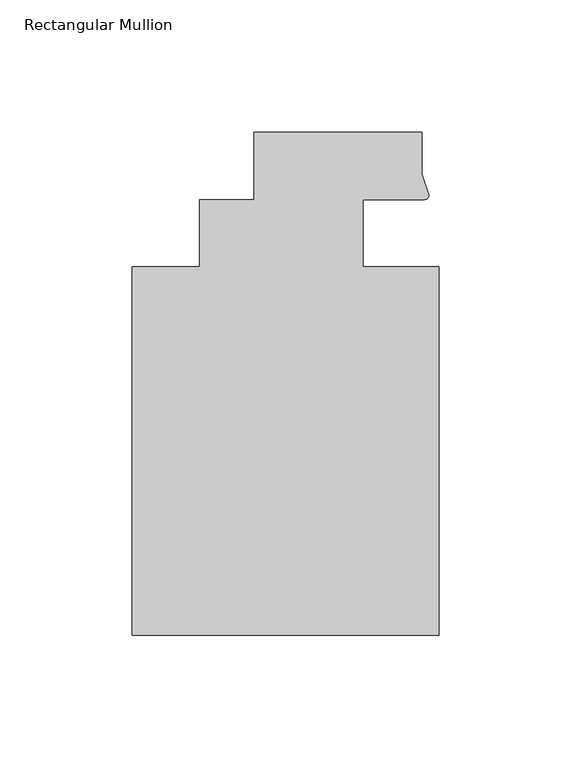
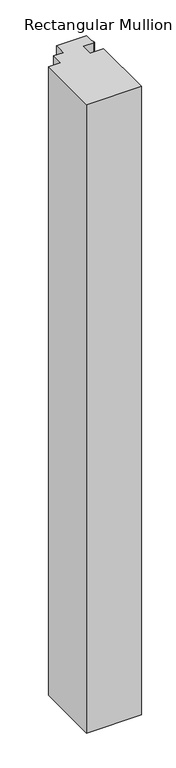
"""IFC4 building model written with IfcOpenShell, lengths in millimetres: member geometry, Rectangular Mullion."""

from ifc_helpers import new_model, si_unit, point, frame, frame_2d, origin, place, context, project, spatial, polyline, circle_curve, trimmed, segment, composite_curve, outline, extrude, source, transform, mapped, element, save


def rectangular_mullion_a6ed1192(model_context):
    return source(origin(), model_context, "Body", "SweptSolid", [
        extrude(outline(composite_curve([segment(polyline([(48.2997293, 12.7000881), (25.0401592, 12.7000881), (25.0401592, -12.7), (53.615046, -12.7), (53.615046, -151.892), (-62.2957636, -151.892), (-62.2957636, -12.7), (-36.8958768, -12.7), (-36.8958768, 12.7), (-16.234954, 12.7), (-16.234954, 38.1), (47.265046, 38.1), (47.265046, 22.2250977), (49.9159011, 14.2884292)]), True, "CONTINUOUS"), segment(trimmed(circle_curve(frame_2d((48.2162832, 14.401412)), 1.703369), [point((49.9159011, 14.2884292))], [point((48.2997293, 12.7000881))], False, "CARTESIAN"), True, "CONTINUOUS")], self_intersect=False)), frame((0.0, 0.0, -1405.4555615), z_axis=(0.0, 0.0, 1.0), x_axis=(1.0, 0.0, 0.0)), (0.0, 0.0, 1.0), 1405.4555615),
    ])


if __name__ == "__main__":
    model = new_model("IFC4")
    model_context = context("Model", 3, world=origin())
    ifc_project = project(units=[si_unit("LENGTHUNIT", "METRE", prefix="MILLI")], contexts=[model_context])
    site = spatial("IfcSite", under=ifc_project)
    building = spatial("IfcBuilding", under=site)
    placement = place(None, origin())
    rectangular_mullion_shape = rectangular_mullion_a6ed1192(model_context)
    element("IfcMember", 1, ObjectType="Rectangular Mullion", at=placement, inside=building, context=model_context, shape_type="MappedRepresentation", body=[
        mapped(rectangular_mullion_shape, transform((0.0, 0.0, 0.0), x_axis=(1.0, 0.0, 0.0), y_axis=(0.0, 1.0, 0.0), z_axis=(0.0, 0.0, 1.0))),
    ])
    save(model, "model.ifc")
